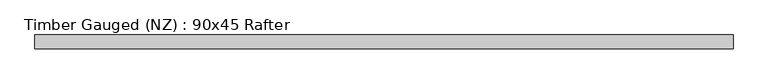
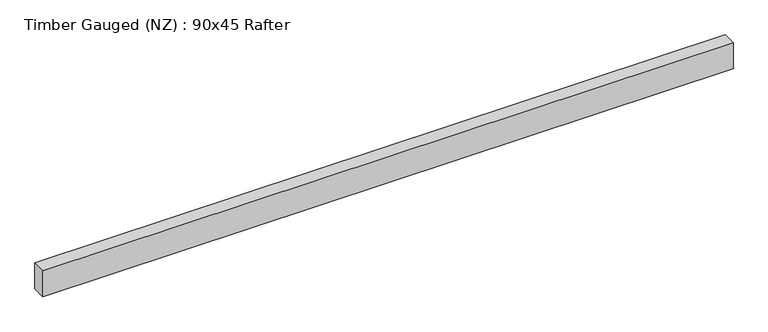
"""IFC4 building model written with IfcOpenShell, lengths in millimetres: beam geometry, Timber Gauged (NZ) : 90x45 Rafter."""

from ifc_helpers import new_model, si_unit, frame, origin, place, context, project, spatial, polyline, outline, extrude, source, transform, mapped, element, save


def timber_gauged_nz_90x45_rafter_3e9b7405(model_context):
    return source(origin(), model_context, "Body", "SweptSolid", [
        extrude(outline(polyline([(945.0, 22.5), (945.0, -22.5), (-1315.6512032, -22.5), (-1315.6512032, 22.5), (945.0, 22.5)])), frame((0.0, 0.0, -45.0), z_axis=(0.0, 0.0, 1.0), x_axis=(1.0, 0.0, 0.0)), (0.0, 0.0, 1.0), 90.0),
    ])


if __name__ == "__main__":
    model = new_model("IFC4")
    model_context = context("Model", 3, world=origin())
    ifc_project = project(units=[si_unit("LENGTHUNIT", "METRE", prefix="MILLI")], contexts=[model_context])
    site = spatial("IfcSite", under=ifc_project)
    building = spatial("IfcBuilding", under=site)
    placement = place(None, origin())
    timber_gauged_nz_90x45_rafter_shape = timber_gauged_nz_90x45_rafter_3e9b7405(model_context)
    element("IfcBeam", 1, ObjectType="Timber Gauged (NZ) : 90x45 Rafter", at=placement, inside=building, context=model_context, shape_type="MappedRepresentation", body=[
        mapped(timber_gauged_nz_90x45_rafter_shape, transform((0.0, 0.0, 0.0), x_axis=(1.0, 0.0, 0.0), y_axis=(0.0, 1.0, 0.0), z_axis=(0.0, 0.0, 1.0))),
    ])
    save(model, "model.ifc")
